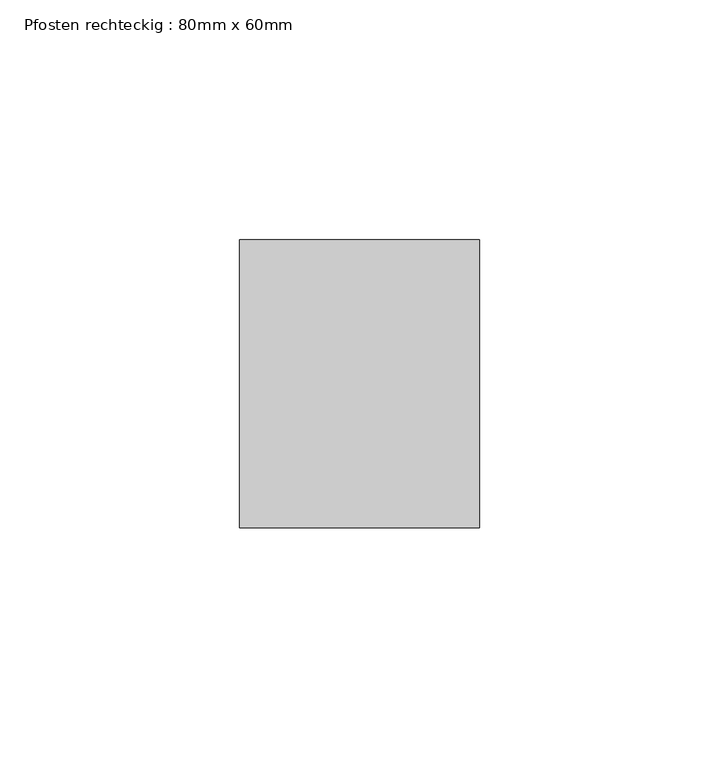
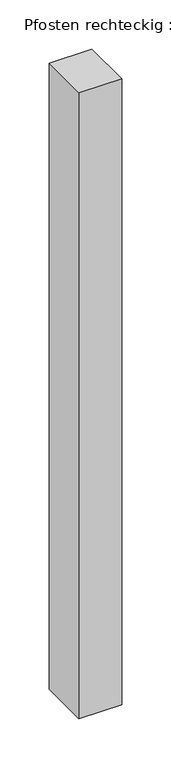
"""IFC4 building model written with IfcOpenShell, lengths in millimetres: member geometry, Pfosten rechteckig : 80mm x 60mm."""

from ifc_helpers import new_model, si_unit, frame, origin, place, context, project, spatial, polyline, outline, extrude, source, transform, mapped, element, save


def pfosten_rechteckig_80mm_x_60mm_3cdfcfa2(model_context):
    return source(origin(), model_context, "Body", "SweptSolid", [
        extrude(outline(polyline([(0.0, 30.0), (0.0, -30.0), (-50.0, -30.0), (-50.0, 30.0), (0.0, 30.0)])), frame((0.0, 0.0, -775.0), z_axis=(0.0, 0.0, 1.0), x_axis=(1.0, 0.0, 0.0)), (0.0, 0.0, 1.0), 775.0),
    ])


if __name__ == "__main__":
    model = new_model("IFC4")
    model_context = context("Model", 3, world=origin())
    ifc_project = project(units=[si_unit("LENGTHUNIT", "METRE", prefix="MILLI")], contexts=[model_context])
    site = spatial("IfcSite", under=ifc_project)
    building = spatial("IfcBuilding", under=site)
    placement = place(None, origin())
    pfosten_rechteckig_80mm_x_60mm_shape = pfosten_rechteckig_80mm_x_60mm_3cdfcfa2(model_context)
    element("IfcMember", 1, ObjectType="Pfosten rechteckig : 80mm x 60mm", at=placement, inside=building, context=model_context, shape_type="MappedRepresentation", body=[
        mapped(pfosten_rechteckig_80mm_x_60mm_shape, transform((0.0, 0.0, 0.0), x_axis=(1.0, 0.0, 0.0), y_axis=(0.0, 1.0, 0.0), z_axis=(0.0, 0.0, 1.0))),
    ])
    save(model, "model.ifc")
